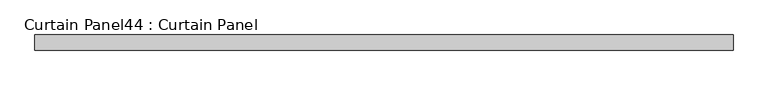
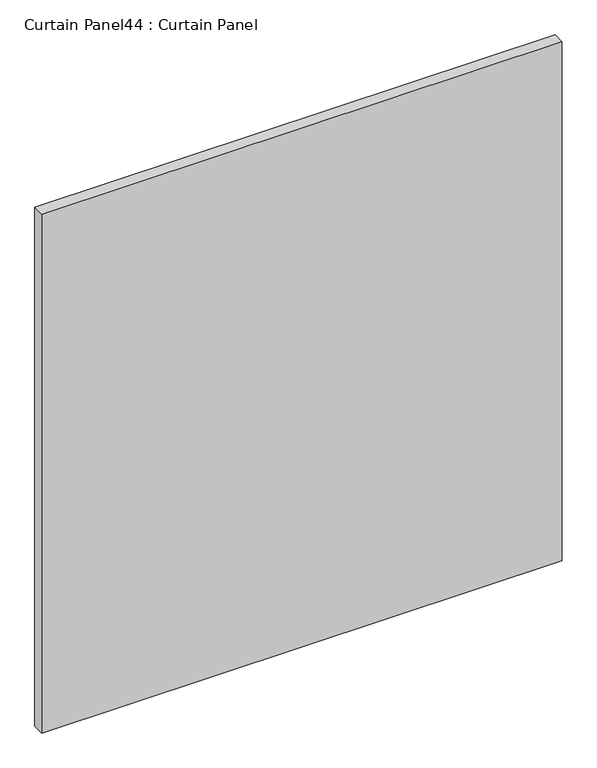
"""IFC4 building model written with IfcOpenShell, lengths in millimetres: plate geometry, Curtain Panel44 : Curtain Panel."""

from ifc_helpers import new_model, si_unit, frame, origin, place, context, project, spatial, polyline, outline, extrude, source, transform, mapped, element, save


def curtain_panel44_curtain_panel_1600c972(model_context):
    return source(origin(), model_context, "Body", "SweptSolid", [
        extrude(outline(polyline([(-410185.9652248, 7226.1665558), (-411325.1946858, 7226.1665558), (-411325.1946858, 7251.5665558), (-410185.9652248, 7251.5665558), (-410185.9652248, 7226.1665558)])), frame((0.0, 0.0, 1228.7251132), z_axis=(0.0, 0.0, 1.0), x_axis=(1.0, 0.0, 0.0)), (0.0, 0.0, 1.0), 1200.1497736),
    ])


if __name__ == "__main__":
    model = new_model("IFC4")
    model_context = context("Model", 3, world=origin())
    ifc_project = project(units=[si_unit("LENGTHUNIT", "METRE", prefix="MILLI")], contexts=[model_context])
    site = spatial("IfcSite", under=ifc_project)
    building = spatial("IfcBuilding", under=site)
    placement = place(None, origin())
    curtain_panel44_curtain_panel_shape = curtain_panel44_curtain_panel_1600c972(model_context)
    element("IfcPlate", 1, ObjectType="Curtain Panel44 : Curtain Panel", at=placement, inside=building, context=model_context, shape_type="MappedRepresentation", body=[
        mapped(curtain_panel44_curtain_panel_shape, transform((0.0, 0.0, 0.0), x_axis=(1.0, 0.0, 0.0), y_axis=(0.0, 1.0, 0.0), z_axis=(0.0, 0.0, 1.0))),
    ])
    save(model, "model.ifc")
